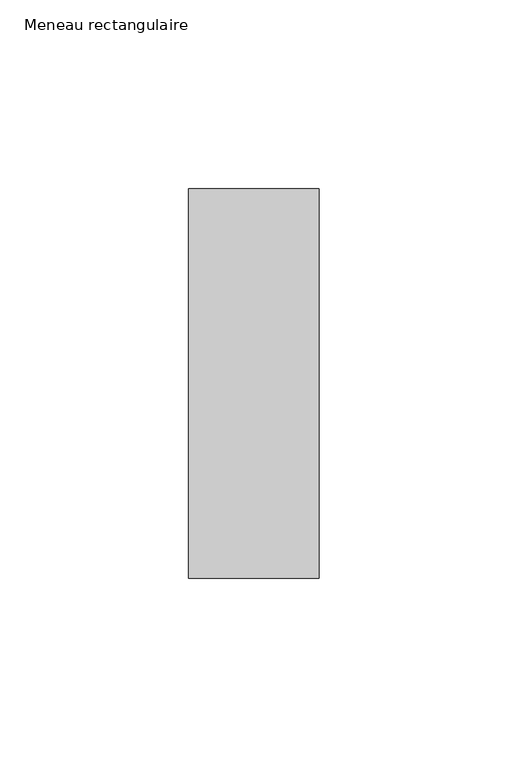
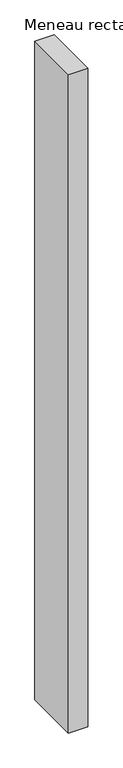
"""IFC4 building model written with IfcOpenShell, lengths in millimetres: member geometry, Meneau rectangulaire."""

import ifcopenshell
import ifcopenshell.guid

model = None  # the IFC model being written
_history = None  # IfcOwnerHistory: only IFC2X3 demands one
_inside = {}  # id of a spatial element -> (the spatial element, [elements in it])
_under = {}  # id of a project, library or spatial element -> (it, [spatial elements below it])
_declared = {}  # id of a project -> (the project, [libraries it declares])
_typed = {}  # id of a type object -> (the type object, [elements of that type])
_made_of = {}  # id of a material, layer set ... -> (it, [elements and type objects made of it])


def new_model(schema):
    """Start an empty IFC model of exactly this schema.

    Asked for "IFC4X3", IfcOpenShell would pick the latest addendum, in which some entities
    have other attributes; the version numbers below select the first issue.
    IFC2X3 requires an IfcOwnerHistory on every rooted entity: one is made here for all.
    """
    global model, _history
    if schema == "IFC4X3":
        model = ifcopenshell.file(schema_version=(4, 3, 0, 0))
    else:
        model = ifcopenshell.file(schema=schema)
    _inside.clear()
    _under.clear()
    _declared.clear()
    _typed.clear()
    _made_of.clear()
    _history = None
    if model.schema == "IFC2X3":
        org = make("IfcOrganization", Name="unknown")
        user = make(
            "IfcPersonAndOrganization",
            ThePerson=make("IfcPerson", FamilyName="unknown"),
            TheOrganization=org,
        )
        app = make(
            "IfcApplication",
            ApplicationDeveloper=org,
            Version="unknown",
            ApplicationFullName="unknown",
            ApplicationIdentifier="unknown",
        )
        _history = make(
            "IfcOwnerHistory",
            OwningUser=user,
            OwningApplication=app,
            ChangeAction="ADDED",
            CreationDate=0,
        )
    return model


def make(cls, **values):
    """One entity of the class cls with the attributes given. An attribute that is None is left unset."""
    return model.create_entity(
        cls, **{name: value for name, value in values.items() if value is not None}
    )


def rooted(cls, **values):
    """An entity with a GlobalId (a new one), such as an element, a storey or a relation."""
    return make(cls, GlobalId=ifcopenshell.guid.new(), OwnerHistory=_history, **values)


def si_unit(unit_type, name, prefix=None):
    """IfcSIUnit, for example si_unit("LENGTHUNIT", "METRE", prefix="MILLI")."""
    return make("IfcSIUnit", UnitType=unit_type, Prefix=prefix, Name=name)


def assignment(units):
    """IfcUnitAssignment: the units of a project."""
    return None if units is None else make("IfcUnitAssignment", Units=units)


def point(xyz):
    """IfcCartesianPoint."""
    return None if xyz is None else make("IfcCartesianPoint", Coordinates=xyz)


def direction(xyz):
    """IfcDirection."""
    return None if xyz is None else make("IfcDirection", DirectionRatios=xyz)


def frame(location, z_axis=None, x_axis=None):
    """IfcAxis2Placement3D, a coordinate frame: its origin and axes. An axis left out is left unset."""
    return make(
        "IfcAxis2Placement3D",
        Location=point(location),
        Axis=direction(z_axis),
        RefDirection=direction(x_axis),
    )


def origin():
    """The frame at (0, 0, 0) with its axes left unset."""
    return frame((0.0, 0.0, 0.0))


def place(relative_to, where):
    """IfcLocalPlacement: puts the frame where relative to a parent placement (None: the world)."""
    return make(
        "IfcLocalPlacement", PlacementRelTo=relative_to, RelativePlacement=where
    )


def context(
    kind, dimensions, precision=None, world=None, true_north=None, identifier=None
):
    """IfcGeometricRepresentationContext, for example the 3D "Model" context."""
    return make(
        "IfcGeometricRepresentationContext",
        ContextIdentifier=identifier,
        ContextType=kind,
        CoordinateSpaceDimension=dimensions,
        Precision=precision,
        WorldCoordinateSystem=world,
        TrueNorth=true_north,
    )


def project(units=None, contexts=None):
    """IfcProject with its units and contexts."""
    return rooted(
        "IfcProject",
        Name="project",
        RepresentationContexts=contexts,
        UnitsInContext=assignment(units),
    )


def spatial(cls, under=None, at=None, **own):
    """A site, building, storey or space (cls), placed at a placement, below another one or the project."""
    s = rooted(cls, ObjectPlacement=at, **own)
    if under is not None:
        _under.setdefault(under.id(), (under, []))[1].append(s)
    return s


def polyline(points):
    """IfcPolyline through the points."""
    return make("IfcPolyline", Points=[point(p) for p in points])


def outline(outer, holes=None, kind="AREA"):
    """IfcArbitraryClosedProfileDef: a profile drawn as a closed curve; with holes, ...WithVoids."""
    if holes is None:
        return make("IfcArbitraryClosedProfileDef", ProfileType=kind, OuterCurve=outer)
    return make(
        "IfcArbitraryProfileDefWithVoids",
        ProfileType=kind,
        OuterCurve=outer,
        InnerCurves=holes,
    )


def extrude(swept, where, along, depth):
    """IfcExtrudedAreaSolid: the profile swept, set in the frame where, extruded along a direction by depth."""
    return make(
        "IfcExtrudedAreaSolid",
        SweptArea=swept,
        Position=where,
        ExtrudedDirection=direction(along),
        Depth=depth,
    )


def shape(context_of_items, identifier, shape_type, items):
    """IfcShapeRepresentation: the items that make up one representation, for example the "Body"."""
    return make(
        "IfcShapeRepresentation",
        ContextOfItems=context_of_items,
        RepresentationIdentifier=identifier,
        RepresentationType=shape_type,
        Items=items,
    )


def source(mapping_origin, context_of_items, identifier, shape_type, items):
    """IfcRepresentationMap: a shape defined once, which mapped items show again and again."""
    return make(
        "IfcRepresentationMap",
        MappingOrigin=mapping_origin,
        MappedRepresentation=shape(context_of_items, identifier, shape_type, items),
    )


def transform(
    local_origin,
    x_axis=None,
    y_axis=None,
    z_axis=None,
    scale=None,
    scale2=None,
    scale3=None,
    uniform=True,
):
    """IfcCartesianTransformationOperator3D, or its non-uniform kind. x_axis, y_axis, z_axis: its Axis1, 2, 3."""
    if uniform:
        return make(
            "IfcCartesianTransformationOperator3D",
            Axis1=direction(x_axis),
            Axis2=direction(y_axis),
            LocalOrigin=point(local_origin),
            Scale=scale,
            Axis3=direction(z_axis),
        )
    return make(
        "IfcCartesianTransformationOperator3DnonUniform",
        Axis1=direction(x_axis),
        Axis2=direction(y_axis),
        LocalOrigin=point(local_origin),
        Scale=scale,
        Axis3=direction(z_axis),
        Scale2=scale2,
        Scale3=scale3,
    )


def mapped(mapping_source, mapping_target):
    """IfcMappedItem: shows the shape of a source again, moved by a transform."""
    return make(
        "IfcMappedItem", MappingSource=mapping_source, MappingTarget=mapping_target
    )


def made_of(thing, what):
    """Note that an element or type object is made of a material, layer set ...; save() writes the relation."""
    if what is not None:
        _made_of.setdefault(what.id(), (what, []))[1].append(thing)
    return thing


def element(
    cls,
    number,
    at=None,
    inside=None,
    cuts=None,
    type_object=None,
    material=None,
    context=None,
    identifier="Body",
    shape_type=None,
    held_by="IfcProductDefinitionShape",
    body=None,
    shapes=None,
    **own,
):
    """One element of the class cls, such as IfcWall. Its Tag is "e" and its number.

    at: its placement. inside: the storey or other place that contains it. cuts: it is an
    opening in that element (IfcRelVoidsElement). A single representation is given by context,
    identifier, shape_type and body (its items); several are given by shapes. held_by: the class
    of the entity that holds the representations. save() writes the other relations.
    """
    e = rooted(cls, Tag="e%d" % number, ObjectPlacement=at, **own)
    if body is not None:
        shapes = [shape(context, identifier, shape_type, body)]
    if shapes is not None:
        e.Representation = make(held_by, Representations=shapes)
    if inside is not None:
        _inside.setdefault(inside.id(), (inside, []))[1].append(e)
    if cuts is not None:
        rooted(
            "IfcRelVoidsElement", RelatingBuildingElement=cuts, RelatedOpeningElement=e
        )
    if type_object is not None:
        _typed.setdefault(type_object.id(), (type_object, []))[1].append(e)
    return made_of(e, material)


def aggregate(whole, parts):
    """IfcRelAggregates: a whole, such as a stair, and the parts it consists of."""
    return rooted("IfcRelAggregates", RelatingObject=whole, RelatedObjects=parts)


def save(model, path):
    """Write the relations noted so far, then the file.

    IfcRelAggregates (storeys below a building ...), IfcRelContainedInSpatialStructure (elements
    in a storey), IfcRelDefinesByType, IfcRelAssociatesMaterial and IfcRelDeclares: one each for
    every whole, place, type object, material and project.
    """
    for whole, parts in _under.values():
        aggregate(whole, parts)
    for where, things in _inside.values():
        rooted(
            "IfcRelContainedInSpatialStructure",
            RelatedElements=things,
            RelatingStructure=where,
        )
    for kind, things in _typed.values():
        rooted("IfcRelDefinesByType", RelatedObjects=things, RelatingType=kind)
    for what, things in _made_of.values():
        rooted("IfcRelAssociatesMaterial", RelatedObjects=things, RelatingMaterial=what)
    for by, libraries in _declared.values():
        rooted("IfcRelDeclares", RelatingContext=by, RelatedDefinitions=libraries)
    model.write(path)


def meneau_rectangulaire_224202e3(model_context):
    return source(origin(), model_context, "Body", "SweptSolid", [
        extrude(outline(polyline([(0.0, 51.5), (0.0, -51.5), (-34.5, -51.5), (-34.5, 51.5), (0.0, 51.5)])), frame((0.0, 0.0, -1235.3749998), z_axis=(0.0, 0.0, 1.0), x_axis=(1.0, 0.0, 0.0)), (0.0, 0.0, 1.0), 1235.3749998),
    ])


if __name__ == "__main__":
    model = new_model("IFC4")
    model_context = context("Model", 3, world=origin())
    ifc_project = project(units=[si_unit("LENGTHUNIT", "METRE", prefix="MILLI")], contexts=[model_context])
    site = spatial("IfcSite", under=ifc_project)
    building = spatial("IfcBuilding", under=site)
    placement = place(None, origin())
    meneau_rectangulaire_shape = meneau_rectangulaire_224202e3(model_context)
    element("IfcMember", 1, ObjectType="Meneau rectangulaire", at=placement, inside=building, context=model_context, shape_type="MappedRepresentation", body=[
        mapped(meneau_rectangulaire_shape, transform((0.0, 0.0, 0.0), x_axis=(1.0, 0.0, 0.0), y_axis=(0.0, 1.0, 0.0), z_axis=(0.0, 0.0, 1.0))),
    ])
    save(model, "model.ifc")
